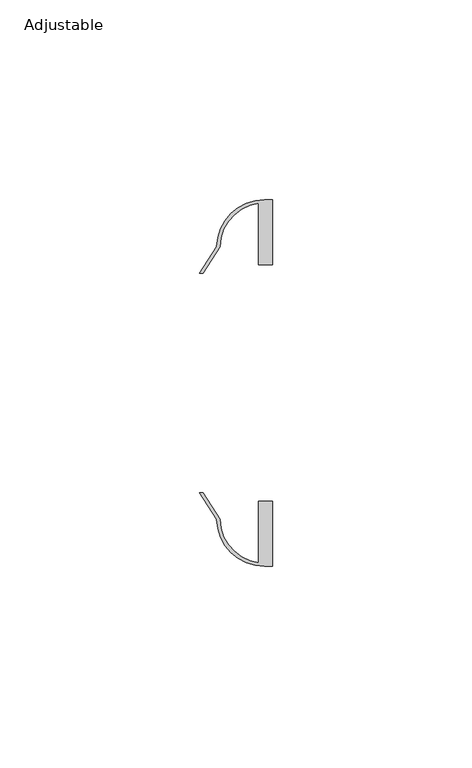
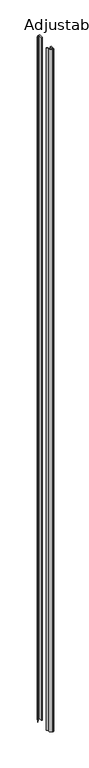
"""IFC4 building model written with IfcOpenShell, lengths in millimetres: furniture geometry, Adjustable."""

from ifc_helpers import new_model, si_unit, point, frame_2d, origin, origin_with_axes, place, context, project, spatial, polyline, circle_curve, trimmed, segment, composite_curve, outline, extrude, source, transform, mapped, element, save


def adjustable_8a79c027(model_context):
    return source(origin(), model_context, "Body", "SweptSolid", [
        extrude(outline(composite_curve([segment(polyline([(38.6278895, 61.3966912), (40.6400731, 61.3966912), (40.6400731, 45.0817629), (37.1639416, 45.0817629), (37.1639416, 60.5003199)]), True, "CONTINUOUS"), segment(trimmed(circle_curve(frame_2d((38.5939655, 49.45959)), 11.1329549), [point((37.1639416, 60.5003199))], [point((27.4617807, 49.5905342))], True, "CARTESIAN"), True, "CONTINUOUS"), segment(polyline([(27.4617807, 49.5905342), (23.1900206, 43.0126005), (22.3528512, 43.0126005), (26.662515, 49.6489008)]), True, "CONTINUOUS"), segment(trimmed(circle_curve(frame_2d((38.6278895, 49.4293018)), 11.9673894), [point((26.662515, 49.6489008))], [point((38.6278895, 61.3966912))], False, "CARTESIAN"), True, "CONTINUOUS")], self_intersect=False)), origin_with_axes(), (0.0, 0.0, 1.0), 2743.2),
        extrude(outline(composite_curve([segment(trimmed(circle_curve(frame_2d((38.6278895, -18.4256917)), 11.9673894), [point((38.6278895, -30.3930811))], [point((26.662515, -18.6452907))], False, "CARTESIAN"), True, "CONTINUOUS"), segment(polyline([(26.662515, -18.6452907), (22.3528512, -12.0089904), (23.1900206, -12.0089904), (27.4617807, -18.5869241)]), True, "CONTINUOUS"), segment(trimmed(circle_curve(frame_2d((38.5939655, -18.4559799)), 11.1329549), [point((27.4617807, -18.5869241))], [point((37.1639416, -29.4967098))], True, "CARTESIAN"), True, "CONTINUOUS"), segment(polyline([(37.1639416, -29.4967098), (37.1639416, -14.0781528), (40.6400731, -14.0781528), (40.6400731, -30.3930811), (38.6278895, -30.3930811)]), True, "CONTINUOUS")], self_intersect=False)), origin_with_axes(), (0.0, 0.0, 1.0), 2743.2),
    ])


if __name__ == "__main__":
    model = new_model("IFC4")
    model_context = context("Model", 3, world=origin())
    ifc_project = project(units=[si_unit("LENGTHUNIT", "METRE", prefix="MILLI")], contexts=[model_context])
    site = spatial("IfcSite", under=ifc_project)
    building = spatial("IfcBuilding", under=site)
    placement = place(None, origin())
    adjustable_shape = adjustable_8a79c027(model_context)
    element("IfcFurniture", 1, ObjectType="Adjustable", at=placement, inside=building, context=model_context, shape_type="MappedRepresentation", body=[
        mapped(adjustable_shape, transform((0.0, 0.0, 0.0), x_axis=(1.0, 0.0, 0.0), y_axis=(0.0, 1.0, 0.0), z_axis=(0.0, 0.0, 1.0))),
    ])
    save(model, "model.ifc")
